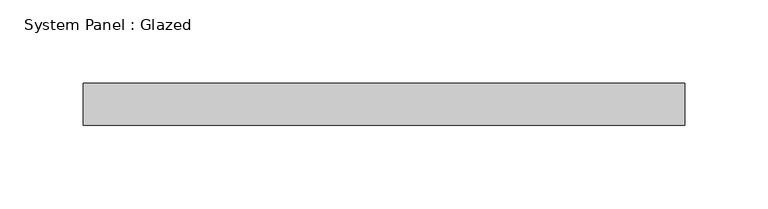
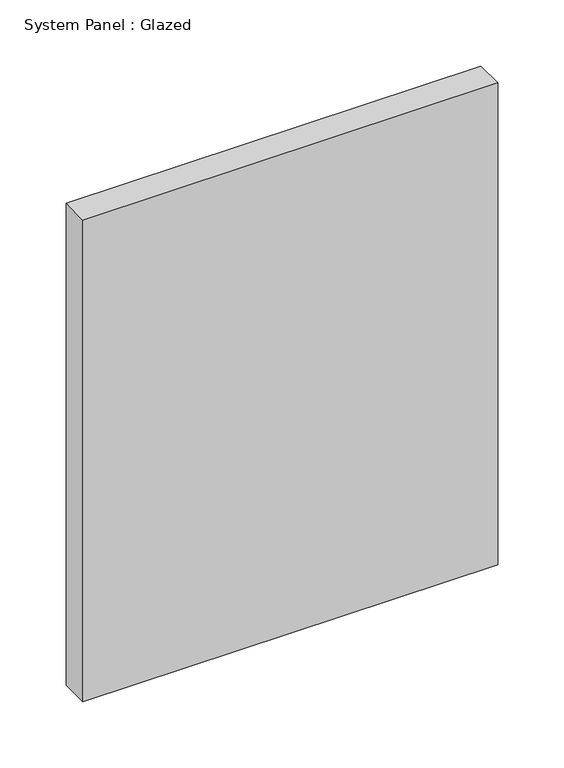
"""IFC4 building model written with IfcOpenShell, lengths in millimetres: plate geometry, System Panel : Glazed."""

import ifcopenshell
import ifcopenshell.guid

model = None  # the IFC model being written
_history = None  # IfcOwnerHistory: only IFC2X3 demands one
_inside = {}  # id of a spatial element -> (the spatial element, [elements in it])
_under = {}  # id of a project, library or spatial element -> (it, [spatial elements below it])
_declared = {}  # id of a project -> (the project, [libraries it declares])
_typed = {}  # id of a type object -> (the type object, [elements of that type])
_made_of = {}  # id of a material, layer set ... -> (it, [elements and type objects made of it])


def new_model(schema):
    """Start an empty IFC model of exactly this schema.

    Asked for "IFC4X3", IfcOpenShell would pick the latest addendum, in which some entities
    have other attributes; the version numbers below select the first issue.
    IFC2X3 requires an IfcOwnerHistory on every rooted entity: one is made here for all.
    """
    global model, _history
    if schema == "IFC4X3":
        model = ifcopenshell.file(schema_version=(4, 3, 0, 0))
    else:
        model = ifcopenshell.file(schema=schema)
    _inside.clear()
    _under.clear()
    _declared.clear()
    _typed.clear()
    _made_of.clear()
    _history = None
    if model.schema == "IFC2X3":
        org = make("IfcOrganization", Name="unknown")
        user = make(
            "IfcPersonAndOrganization",
            ThePerson=make("IfcPerson", FamilyName="unknown"),
            TheOrganization=org,
        )
        app = make(
            "IfcApplication",
            ApplicationDeveloper=org,
            Version="unknown",
            ApplicationFullName="unknown",
            ApplicationIdentifier="unknown",
        )
        _history = make(
            "IfcOwnerHistory",
            OwningUser=user,
            OwningApplication=app,
            ChangeAction="ADDED",
            CreationDate=0,
        )
    return model


def make(cls, **values):
    """One entity of the class cls with the attributes given. An attribute that is None is left unset."""
    return model.create_entity(
        cls, **{name: value for name, value in values.items() if value is not None}
    )


def rooted(cls, **values):
    """An entity with a GlobalId (a new one), such as an element, a storey or a relation."""
    return make(cls, GlobalId=ifcopenshell.guid.new(), OwnerHistory=_history, **values)


def si_unit(unit_type, name, prefix=None):
    """IfcSIUnit, for example si_unit("LENGTHUNIT", "METRE", prefix="MILLI")."""
    return make("IfcSIUnit", UnitType=unit_type, Prefix=prefix, Name=name)


def assignment(units):
    """IfcUnitAssignment: the units of a project."""
    return None if units is None else make("IfcUnitAssignment", Units=units)


def point(xyz):
    """IfcCartesianPoint."""
    return None if xyz is None else make("IfcCartesianPoint", Coordinates=xyz)


def direction(xyz):
    """IfcDirection."""
    return None if xyz is None else make("IfcDirection", DirectionRatios=xyz)


def frame(location, z_axis=None, x_axis=None):
    """IfcAxis2Placement3D, a coordinate frame: its origin and axes. An axis left out is left unset."""
    return make(
        "IfcAxis2Placement3D",
        Location=point(location),
        Axis=direction(z_axis),
        RefDirection=direction(x_axis),
    )


def origin():
    """The frame at (0, 0, 0) with its axes left unset."""
    return frame((0.0, 0.0, 0.0))


def origin_with_axes():
    """The frame at (0, 0, 0) with the z axis (0, 0, 1) and the x axis (1, 0, 0) written out."""
    return frame((0.0, 0.0, 0.0), z_axis=(0.0, 0.0, 1.0), x_axis=(1.0, 0.0, 0.0))


def place(relative_to, where):
    """IfcLocalPlacement: puts the frame where relative to a parent placement (None: the world)."""
    return make(
        "IfcLocalPlacement", PlacementRelTo=relative_to, RelativePlacement=where
    )


def context(
    kind, dimensions, precision=None, world=None, true_north=None, identifier=None
):
    """IfcGeometricRepresentationContext, for example the 3D "Model" context."""
    return make(
        "IfcGeometricRepresentationContext",
        ContextIdentifier=identifier,
        ContextType=kind,
        CoordinateSpaceDimension=dimensions,
        Precision=precision,
        WorldCoordinateSystem=world,
        TrueNorth=true_north,
    )


def project(units=None, contexts=None):
    """IfcProject with its units and contexts."""
    return rooted(
        "IfcProject",
        Name="project",
        RepresentationContexts=contexts,
        UnitsInContext=assignment(units),
    )


def spatial(cls, under=None, at=None, **own):
    """A site, building, storey or space (cls), placed at a placement, below another one or the project."""
    s = rooted(cls, ObjectPlacement=at, **own)
    if under is not None:
        _under.setdefault(under.id(), (under, []))[1].append(s)
    return s


def polyline(points):
    """IfcPolyline through the points."""
    return make("IfcPolyline", Points=[point(p) for p in points])


def outline(outer, holes=None, kind="AREA"):
    """IfcArbitraryClosedProfileDef: a profile drawn as a closed curve; with holes, ...WithVoids."""
    if holes is None:
        return make("IfcArbitraryClosedProfileDef", ProfileType=kind, OuterCurve=outer)
    return make(
        "IfcArbitraryProfileDefWithVoids",
        ProfileType=kind,
        OuterCurve=outer,
        InnerCurves=holes,
    )


def extrude(swept, where, along, depth):
    """IfcExtrudedAreaSolid: the profile swept, set in the frame where, extruded along a direction by depth."""
    return make(
        "IfcExtrudedAreaSolid",
        SweptArea=swept,
        Position=where,
        ExtrudedDirection=direction(along),
        Depth=depth,
    )


def shape(context_of_items, identifier, shape_type, items):
    """IfcShapeRepresentation: the items that make up one representation, for example the "Body"."""
    return make(
        "IfcShapeRepresentation",
        ContextOfItems=context_of_items,
        RepresentationIdentifier=identifier,
        RepresentationType=shape_type,
        Items=items,
    )


def source(mapping_origin, context_of_items, identifier, shape_type, items):
    """IfcRepresentationMap: a shape defined once, which mapped items show again and again."""
    return make(
        "IfcRepresentationMap",
        MappingOrigin=mapping_origin,
        MappedRepresentation=shape(context_of_items, identifier, shape_type, items),
    )


def transform(
    local_origin,
    x_axis=None,
    y_axis=None,
    z_axis=None,
    scale=None,
    scale2=None,
    scale3=None,
    uniform=True,
):
    """IfcCartesianTransformationOperator3D, or its non-uniform kind. x_axis, y_axis, z_axis: its Axis1, 2, 3."""
    if uniform:
        return make(
            "IfcCartesianTransformationOperator3D",
            Axis1=direction(x_axis),
            Axis2=direction(y_axis),
            LocalOrigin=point(local_origin),
            Scale=scale,
            Axis3=direction(z_axis),
        )
    return make(
        "IfcCartesianTransformationOperator3DnonUniform",
        Axis1=direction(x_axis),
        Axis2=direction(y_axis),
        LocalOrigin=point(local_origin),
        Scale=scale,
        Axis3=direction(z_axis),
        Scale2=scale2,
        Scale3=scale3,
    )


def mapped(mapping_source, mapping_target):
    """IfcMappedItem: shows the shape of a source again, moved by a transform."""
    return make(
        "IfcMappedItem", MappingSource=mapping_source, MappingTarget=mapping_target
    )


def made_of(thing, what):
    """Note that an element or type object is made of a material, layer set ...; save() writes the relation."""
    if what is not None:
        _made_of.setdefault(what.id(), (what, []))[1].append(thing)
    return thing


def element(
    cls,
    number,
    at=None,
    inside=None,
    cuts=None,
    type_object=None,
    material=None,
    context=None,
    identifier="Body",
    shape_type=None,
    held_by="IfcProductDefinitionShape",
    body=None,
    shapes=None,
    **own,
):
    """One element of the class cls, such as IfcWall. Its Tag is "e" and its number.

    at: its placement. inside: the storey or other place that contains it. cuts: it is an
    opening in that element (IfcRelVoidsElement). A single representation is given by context,
    identifier, shape_type and body (its items); several are given by shapes. held_by: the class
    of the entity that holds the representations. save() writes the other relations.
    """
    e = rooted(cls, Tag="e%d" % number, ObjectPlacement=at, **own)
    if body is not None:
        shapes = [shape(context, identifier, shape_type, body)]
    if shapes is not None:
        e.Representation = make(held_by, Representations=shapes)
    if inside is not None:
        _inside.setdefault(inside.id(), (inside, []))[1].append(e)
    if cuts is not None:
        rooted(
            "IfcRelVoidsElement", RelatingBuildingElement=cuts, RelatedOpeningElement=e
        )
    if type_object is not None:
        _typed.setdefault(type_object.id(), (type_object, []))[1].append(e)
    return made_of(e, material)


def aggregate(whole, parts):
    """IfcRelAggregates: a whole, such as a stair, and the parts it consists of."""
    return rooted("IfcRelAggregates", RelatingObject=whole, RelatedObjects=parts)


def save(model, path):
    """Write the relations noted so far, then the file.

    IfcRelAggregates (storeys below a building ...), IfcRelContainedInSpatialStructure (elements
    in a storey), IfcRelDefinesByType, IfcRelAssociatesMaterial and IfcRelDeclares: one each for
    every whole, place, type object, material and project.
    """
    for whole, parts in _under.values():
        aggregate(whole, parts)
    for where, things in _inside.values():
        rooted(
            "IfcRelContainedInSpatialStructure",
            RelatedElements=things,
            RelatingStructure=where,
        )
    for kind, things in _typed.values():
        rooted("IfcRelDefinesByType", RelatedObjects=things, RelatingType=kind)
    for what, things in _made_of.values():
        rooted("IfcRelAssociatesMaterial", RelatedObjects=things, RelatingMaterial=what)
    for by, libraries in _declared.values():
        rooted("IfcRelDeclares", RelatingContext=by, RelatedDefinitions=libraries)
    model.write(path)


def system_panel_glazed_67e62017(model_context):
    return source(origin(), model_context, "Body", "SweptSolid", [
        extrude(outline(polyline([(180.975, 19.05), (-180.975, 19.05), (-180.975, 44.45), (180.975, 44.45), (180.975, 19.05)])), origin_with_axes(), (0.0, 0.0, 1.0), 444.5),
    ])


if __name__ == "__main__":
    model = new_model("IFC4")
    model_context = context("Model", 3, world=origin())
    ifc_project = project(units=[si_unit("LENGTHUNIT", "METRE", prefix="MILLI")], contexts=[model_context])
    site = spatial("IfcSite", under=ifc_project)
    building = spatial("IfcBuilding", under=site)
    placement = place(None, origin())
    system_panel_glazed_shape = system_panel_glazed_67e62017(model_context)
    element("IfcPlate", 1, ObjectType="System Panel : Glazed", at=placement, inside=building, context=model_context, shape_type="MappedRepresentation", body=[
        mapped(system_panel_glazed_shape, transform((0.0, 0.0, 0.0), x_axis=(1.0, 0.0, 0.0), y_axis=(0.0, 1.0, 0.0), z_axis=(0.0, 0.0, 1.0))),
    ])
    save(model, "model.ifc")
